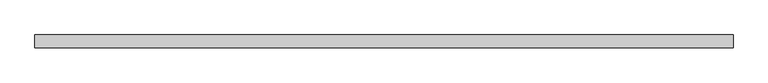
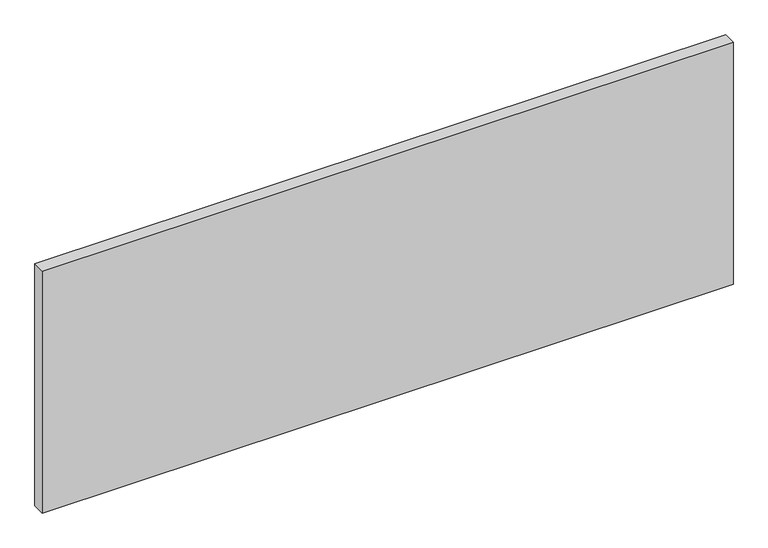
"""IFC4 building model written with IfcOpenShell, lengths in millimetres: proxy geometry."""

from ifc_helpers import new_model, si_unit, origin, origin_with_axes, place, context, project, spatial, polyline, outline, extrude, source, transform, mapped, element, save


def generic_models_af07f070(model_context):
    return source(origin(), model_context, "Body", "SweptSolid", [
        extrude(outline(polyline([(1350.0000007, -25.0000527), (-1350.0000003, -24.9999556), (-1349.9999996, 25.0000527), (1350.0000003, 25.0000373), (1350.0000007, -25.0000527)])), origin_with_axes(), (0.0, 0.0, 1.0), 1000.0),
    ])


if __name__ == "__main__":
    model = new_model("IFC4")
    model_context = context("Model", 3, world=origin())
    ifc_project = project(units=[si_unit("LENGTHUNIT", "METRE", prefix="MILLI")], contexts=[model_context])
    site = spatial("IfcSite", under=ifc_project)
    building = spatial("IfcBuilding", under=site)
    placement = place(None, origin())
    generic_models_shape = generic_models_af07f070(model_context)
    element("IfcBuildingElementProxy", 1, Name="Generic Models", at=placement, inside=building, context=model_context, shape_type="MappedRepresentation", body=[
        mapped(generic_models_shape, transform((0.0, 0.0, 0.0), x_axis=(1.0, 0.0, 0.0), y_axis=(0.0, 1.0, 0.0), z_axis=(0.0, 0.0, 1.0))),
    ])
    save(model, "model.ifc")
